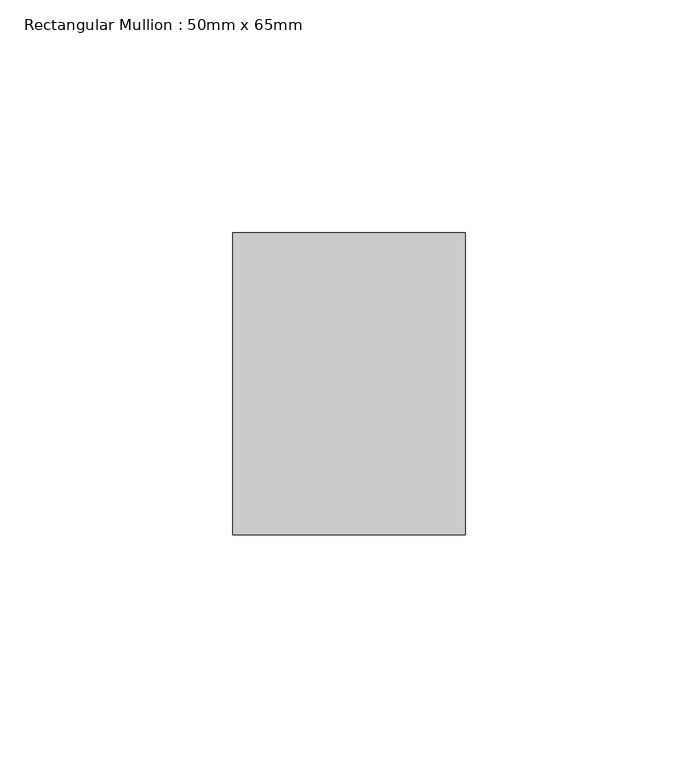
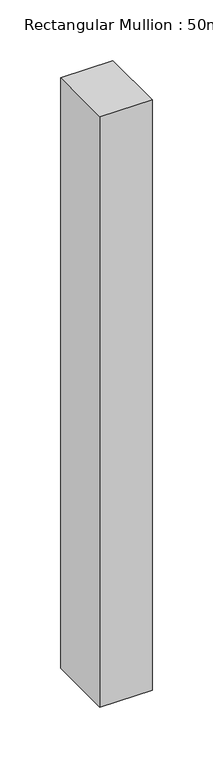
"""IFC4 building model written with IfcOpenShell, lengths in millimetres: member geometry, Rectangular Mullion : 50mm x 65mm."""

from ifc_helpers import new_model, si_unit, frame, origin, place, context, project, spatial, polyline, outline, extrude, source, transform, mapped, element, save


def rectangular_mullion_50mm_x_65mm_49c435dd(model_context):
    return source(origin(), model_context, "Body", "SweptSolid", [
        extrude(outline(polyline([(25.0, 32.5), (25.0, -32.5), (-25.0, -32.5), (-25.0, 32.5), (25.0, 32.5)])), frame((0.0, 0.0, -595.7757189), z_axis=(0.0, 0.0, 1.0), x_axis=(1.0, 0.0, 0.0)), (0.0, 0.0, 1.0), 595.7757189),
    ])


if __name__ == "__main__":
    model = new_model("IFC4")
    model_context = context("Model", 3, world=origin())
    ifc_project = project(units=[si_unit("LENGTHUNIT", "METRE", prefix="MILLI")], contexts=[model_context])
    site = spatial("IfcSite", under=ifc_project)
    building = spatial("IfcBuilding", under=site)
    placement = place(None, origin())
    rectangular_mullion_50mm_x_65mm_shape = rectangular_mullion_50mm_x_65mm_49c435dd(model_context)
    element("IfcMember", 1, ObjectType="Rectangular Mullion : 50mm x 65mm", at=placement, inside=building, context=model_context, shape_type="MappedRepresentation", body=[
        mapped(rectangular_mullion_50mm_x_65mm_shape, transform((0.0, 0.0, 0.0), x_axis=(1.0, 0.0, 0.0), y_axis=(0.0, 1.0, 0.0), z_axis=(0.0, 0.0, 1.0))),
    ])
    save(model, "model.ifc")
